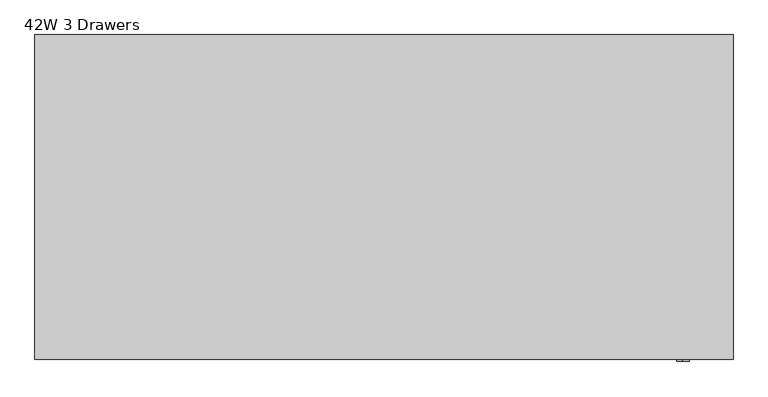
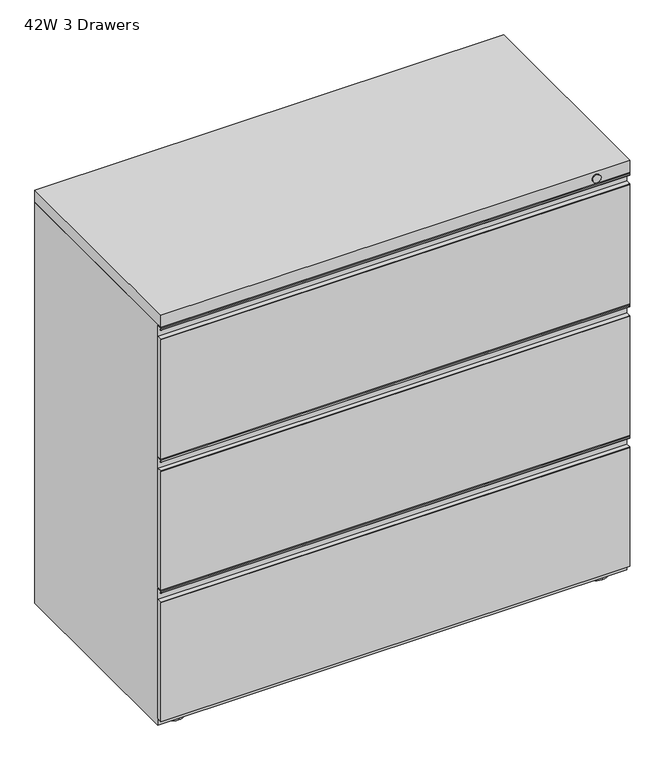
"""IFC4 building model written with IfcOpenShell, lengths in millimetres: furniture geometry, 42W 3 Drawers."""

from ifc_helpers import new_model, si_unit, point, frame, frame_2d, origin, place, context, project, spatial, polyline, circle_curve, trimmed, segment, composite_curve, outline, extrude, source, transform, mapped, element, save
from ifc_brep_helpers import plane_surface, cylinder_surface, advanced_brep


def furniture_42w_3_drawers_c9553601(model_context):
    return source(origin(), model_context, "Body", "SolidModel", [
        advanced_brep(
        [(477.8374758, 214.3124909, 9.525), (477.8374758, 163.5124939, 9.525), (477.8374758, 188.9124924, 9.525), (477.8374758, 214.3124909, 0.0), (477.8374758, 163.5124939, 0.0), (477.8374758, 188.9124924, 0.0)],
        [
            (0, 1, circle_curve(frame((477.8374758, 188.9124924, 9.525), z_axis=(0.0, 0.0, 1.0), x_axis=(0.0, -1.0, 0.0)), 25.3999985)),
            (1, 2),
            (2, 0),
            (1, 0, circle_curve(frame((477.8374758, 188.9124924, 9.525), z_axis=(0.0, 0.0, 1.0), x_axis=(0.0, -1.0, 0.0)), 25.3999985)),
            (3, 4, circle_curve(frame((477.8374758, 188.9124924, 0.0), z_axis=(0.0, 0.0, 1.0), x_axis=(0.0, -1.0, 0.0)), 25.3999985)),
            (4, 1),
            (0, 3),
            (4, 3, circle_curve(frame((477.8374758, 188.9124924, 0.0), z_axis=(0.0, 0.0, 1.0), x_axis=(0.0, -1.0, 0.0)), 25.3999985)),
            (5, 4),
            (3, 5),
        ],
        [
            plane_surface(frame((477.8374758, 188.9124924, 9.525), z_axis=(0.0, 0.0, 1.0), x_axis=(0.0, -1.0, 0.0))),
            cylinder_surface(frame((477.8374758, 188.9124924, 0.0), z_axis=(0.0, 0.0, -1.0), x_axis=(0.0, -1.0, 0.0)), 25.3999985),
            plane_surface(frame((477.8374758, 188.9124924, 0.0), z_axis=(0.0, 0.0, -1.0), x_axis=(0.0, -1.0, 0.0))),
        ],
        [
            (0, [[1, 2, 3]]),
            (0, [[4, -3, -2]]),
            (1, [[5, 6, -1, 7]]),
            (1, [[8, -7, -4, -6]]),
            (2, [[9, -5, 10]]),
            (2, [[-10, -8, -9]]),
        ],
    ),
        advanced_brep(
        [(477.8374758, -176.2125182, 9.525), (477.8374758, -227.0125151, 9.525), (477.8374758, -201.6125167, 9.525), (477.8374758, -176.2125182, 0.0), (477.8374758, -227.0125151, 0.0), (477.8374758, -201.6125167, 0.0)],
        [
            (0, 1, circle_curve(frame((477.8374758, -201.6125167, 9.525), z_axis=(0.0, 0.0, 1.0), x_axis=(0.0, -1.0, 0.0)), 25.3999985)),
            (1, 2),
            (2, 0),
            (1, 0, circle_curve(frame((477.8374758, -201.6125167, 9.525), z_axis=(0.0, 0.0, 1.0), x_axis=(0.0, -1.0, 0.0)), 25.3999985)),
            (3, 4, circle_curve(frame((477.8374758, -201.6125167, 0.0), z_axis=(0.0, 0.0, 1.0), x_axis=(0.0, -1.0, 0.0)), 25.3999985)),
            (4, 1),
            (0, 3),
            (4, 3, circle_curve(frame((477.8374758, -201.6125167, 0.0), z_axis=(0.0, 0.0, 1.0), x_axis=(0.0, -1.0, 0.0)), 25.3999985)),
            (5, 4),
            (3, 5),
        ],
        [
            plane_surface(frame((477.8374758, -201.6125167, 9.525), z_axis=(0.0, 0.0, 1.0), x_axis=(0.0, -1.0, 0.0))),
            cylinder_surface(frame((477.8374758, -201.6125167, 0.0), z_axis=(0.0, 0.0, -1.0), x_axis=(0.0, -1.0, 0.0)), 25.3999985),
            plane_surface(frame((477.8374758, -201.6125167, 0.0), z_axis=(0.0, 0.0, -1.0), x_axis=(0.0, -1.0, 0.0))),
        ],
        [
            (0, [[1, 2, 3]]),
            (0, [[4, -3, -2]]),
            (1, [[5, 6, -1, 7]]),
            (1, [[8, -7, -4, -6]]),
            (2, [[9, -5, 10]]),
            (2, [[-10, -8, -9]]),
        ],
    ),
        advanced_brep(
        [(-477.8374985, -176.2125182, 9.525), (-477.8374985, -227.0125151, 9.525), (-477.8374985, -201.6125167, 9.525), (-477.8374985, -176.2125182, 0.0), (-477.8374985, -227.0125151, 0.0), (-477.8374985, -201.6125167, 0.0)],
        [
            (0, 1, circle_curve(frame((-477.8374985, -201.6125167, 9.525), z_axis=(0.0, 0.0, 1.0), x_axis=(0.0, -1.0, 0.0)), 25.3999985)),
            (1, 2),
            (2, 0),
            (1, 0, circle_curve(frame((-477.8374985, -201.6125167, 9.525), z_axis=(0.0, 0.0, 1.0), x_axis=(0.0, -1.0, 0.0)), 25.3999985)),
            (3, 4, circle_curve(frame((-477.8374985, -201.6125167, 0.0), z_axis=(0.0, 0.0, 1.0), x_axis=(0.0, -1.0, 0.0)), 25.3999985)),
            (4, 1),
            (0, 3),
            (4, 3, circle_curve(frame((-477.8374985, -201.6125167, 0.0), z_axis=(0.0, 0.0, 1.0), x_axis=(0.0, -1.0, 0.0)), 25.3999985)),
            (5, 4),
            (3, 5),
        ],
        [
            plane_surface(frame((-477.8374985, -201.6125167, 9.525), z_axis=(0.0, 0.0, 1.0), x_axis=(0.0, -1.0, 0.0))),
            cylinder_surface(frame((-477.8374985, -201.6125167, 0.0), z_axis=(0.0, 0.0, -1.0), x_axis=(0.0, -1.0, 0.0)), 25.3999985),
            plane_surface(frame((-477.8374985, -201.6125167, 0.0), z_axis=(0.0, 0.0, -1.0), x_axis=(0.0, -1.0, 0.0))),
        ],
        [
            (0, [[1, 2, 3]]),
            (0, [[4, -3, -2]]),
            (1, [[5, 6, -1, 7]]),
            (1, [[8, -7, -4, -6]]),
            (2, [[9, -5, 10]]),
            (2, [[-10, -8, -9]]),
        ],
    ),
        advanced_brep(
        [(-477.8374985, 214.3124909, 9.525), (-477.8374985, 163.5124939, 9.525), (-477.8374985, 188.9124924, 9.525), (-477.8374985, 214.3124909, 0.0), (-477.8374985, 163.5124939, 0.0), (-477.8374985, 188.9124924, 0.0)],
        [
            (0, 1, circle_curve(frame((-477.8374985, 188.9124924, 9.525), z_axis=(0.0, 0.0, 1.0), x_axis=(0.0, -1.0, 0.0)), 25.3999985)),
            (1, 2),
            (2, 0),
            (1, 0, circle_curve(frame((-477.8374985, 188.9124924, 9.525), z_axis=(0.0, 0.0, 1.0), x_axis=(0.0, -1.0, 0.0)), 25.3999985)),
            (3, 4, circle_curve(frame((-477.8374985, 188.9124924, 0.0), z_axis=(0.0, 0.0, 1.0), x_axis=(0.0, -1.0, 0.0)), 25.3999985)),
            (4, 1),
            (0, 3),
            (4, 3, circle_curve(frame((-477.8374985, 188.9124924, 0.0), z_axis=(0.0, 0.0, 1.0), x_axis=(0.0, -1.0, 0.0)), 25.3999985)),
            (5, 4),
            (3, 5),
        ],
        [
            plane_surface(frame((-477.8374985, 188.9124924, 9.525), z_axis=(0.0, 0.0, 1.0), x_axis=(0.0, -1.0, 0.0))),
            cylinder_surface(frame((-477.8374985, 188.9124924, 0.0), z_axis=(0.0, 0.0, -1.0), x_axis=(0.0, -1.0, 0.0)), 25.3999985),
            plane_surface(frame((-477.8374985, 188.9124924, 0.0), z_axis=(0.0, 0.0, -1.0), x_axis=(0.0, -1.0, 0.0))),
        ],
        [
            (0, [[1, 2, 3]]),
            (0, [[4, -3, -2]]),
            (1, [[5, 6, -1, 7]]),
            (1, [[8, -7, -4, -6]]),
            (2, [[9, -5, 10]]),
            (2, [[-10, -8, -9]]),
        ],
    ),
        extrude(outline(composite_curve([segment(trimmed(circle_curve(frame_2d((-244.8896942, 308.4966671)), 1.1728058), [point((-246.0625, 308.4966671))], [point((-244.8896942, 309.6694729))], False, "CARTESIAN"), True, "CONTINUOUS"), segment(polyline([(-244.8896942, 309.6694729), (-234.1236111, 309.6694729), (-234.1236111, 334.9972013), (-234.9118604, 335.7874148), (-244.2971887, 335.7874148), (-245.0845679, 334.9999629), (-245.0843647, 331.4366976), (-243.4667153, 331.5287923)]), True, "CONTINUOUS"), segment(trimmed(circle_curve(frame_2d((-244.6524315, 331.3932144)), 1.1934422), [point((-243.4667153, 331.5287923))], [point((-245.8458737, 331.3932144))], False, "CARTESIAN"), True, "CONTINUOUS"), segment(polyline([(-245.8458737, 331.3932144), (-245.8458737, 334.9991622)]), True, "CONTINUOUS"), segment(trimmed(circle_curve(frame_2d((-244.295023, 334.9991622)), 1.5508507), [point((-245.8458737, 334.9991622))], [point((-244.295023, 336.5500129))], False, "CARTESIAN"), True, "CONTINUOUS"), segment(polyline([(-244.295023, 336.5500129), (-234.9140389, 336.5500129)]), True, "CONTINUOUS"), segment(trimmed(circle_curve(frame_2d((-234.9140389, 334.9984497)), 1.5515631), [point((-234.9140389, 336.5500129))], [point((-233.3624758, 334.9984497))], False, "CARTESIAN"), True, "CONTINUOUS"), segment(polyline([(-233.3624758, 334.9984497), (-233.3624758, 25.4000008), (-246.0625, 25.4000008), (-246.0625, 308.4966671)]), True, "CONTINUOUS")], self_intersect=False)), frame((-528.6375, 0.0, 0.0), z_axis=(1.0, 0.0, 0.0), x_axis=(0.0, 1.0, 0.0)), (0.0, 0.0, 1.0), 1057.275),
        extrude(outline(composite_curve([segment(trimmed(circle_curve(frame_2d((-244.8896942, 621.2341663)), 1.1728058), [point((-246.0625, 621.2341663))], [point((-244.8896942, 622.4069722))], False, "CARTESIAN"), True, "CONTINUOUS"), segment(polyline([(-244.8896942, 622.4069722), (-234.1236111, 622.4069722), (-234.1236111, 647.7347006), (-234.9118604, 648.5249141), (-244.2971887, 648.5249141), (-245.0845679, 647.7374621), (-245.0843647, 644.1741969), (-243.4667153, 644.2662915)]), True, "CONTINUOUS"), segment(trimmed(circle_curve(frame_2d((-244.6524315, 644.1307136)), 1.1934422), [point((-243.4667153, 644.2662915))], [point((-245.8458737, 644.1307136))], False, "CARTESIAN"), True, "CONTINUOUS"), segment(polyline([(-245.8458737, 644.1307136), (-245.8458737, 647.7366614)]), True, "CONTINUOUS"), segment(trimmed(circle_curve(frame_2d((-244.295023, 647.7366614)), 1.5508507), [point((-245.8458737, 647.7366614))], [point((-244.295023, 649.2875121))], False, "CARTESIAN"), True, "CONTINUOUS"), segment(polyline([(-244.295023, 649.2875121), (-234.9140389, 649.2875121)]), True, "CONTINUOUS"), segment(trimmed(circle_curve(frame_2d((-234.9140389, 647.735949)), 1.5515631), [point((-234.9140389, 649.2875121))], [point((-233.3624758, 647.735949))], False, "CARTESIAN"), True, "CONTINUOUS"), segment(polyline([(-233.3624758, 647.735949), (-233.3624758, 338.1375), (-246.0625, 338.1375), (-246.0625, 621.2341663)]), True, "CONTINUOUS")], self_intersect=False)), frame((-528.6375, 0.0, 0.0), z_axis=(1.0, 0.0, 0.0), x_axis=(0.0, 1.0, 0.0)), (0.0, 0.0, 1.0), 1057.275),
        extrude(outline(composite_curve([segment(trimmed(circle_curve(frame_2d((-244.8896942, 935.5591527)), 1.1728058), [point((-246.0625, 935.5591527))], [point((-244.8896942, 936.7319585))], False, "CARTESIAN"), True, "CONTINUOUS"), segment(polyline([(-244.8896942, 936.7319585), (-234.1236111, 936.7319585), (-234.1236111, 962.059687), (-234.9118604, 962.8499004), (-244.2971887, 962.8499004), (-245.0845679, 962.0624485), (-245.0843647, 958.4991832), (-243.4667153, 958.5912779)]), True, "CONTINUOUS"), segment(trimmed(circle_curve(frame_2d((-244.6524315, 958.4557)), 1.1934422), [point((-243.4667153, 958.5912779))], [point((-245.8458737, 958.4557))], False, "CARTESIAN"), True, "CONTINUOUS"), segment(polyline([(-245.8458737, 958.4557), (-245.8458737, 962.0616478)]), True, "CONTINUOUS"), segment(trimmed(circle_curve(frame_2d((-244.295023, 962.0616478)), 1.5508507), [point((-245.8458737, 962.0616478))], [point((-244.295023, 963.6124985))], False, "CARTESIAN"), True, "CONTINUOUS"), segment(polyline([(-244.295023, 963.6124985), (-234.9140389, 963.6124985)]), True, "CONTINUOUS"), segment(trimmed(circle_curve(frame_2d((-234.9140389, 962.0609354)), 1.5515631), [point((-234.9140389, 963.6124985))], [point((-233.3624758, 962.0609354))], False, "CARTESIAN"), True, "CONTINUOUS"), segment(polyline([(-233.3624758, 962.0609354), (-233.3624758, 650.8749992), (-246.0625, 650.8749992), (-246.0625, 935.5591527)]), True, "CONTINUOUS")], self_intersect=False)), frame((-528.6375, 0.0, 0.0), z_axis=(1.0, 0.0, 0.0), x_axis=(0.0, 1.0, 0.0)), (0.0, 0.0, 1.0), 1057.275),
        extrude(outline(polyline([(528.6375, 246.0625), (528.6375, -246.0625), (-528.6375, -246.0625), (-528.6375, 246.0625), (528.6375, 246.0625)])), frame((0.0, 0.0, 965.2), z_axis=(0.0, 0.0, 1.0), x_axis=(1.0, 0.0, 0.0)), (0.0, 0.0, 1.0), 28.575),
        extrude(outline(polyline([(528.6375, 246.0625), (528.6375, -233.3624758), (-528.6375, -233.3624758), (-528.6375, 246.0625), (528.6375, 246.0625)])), frame((0.0, 0.0, 9.525), z_axis=(0.0, 0.0, 1.0), x_axis=(1.0, 0.0, 0.0)), (0.0, 0.0, 1.0), 955.675),
        extrude(outline(composite_curve([segment(trimmed(circle_curve(frame_2d((977.9000242, 452.4375)), 9.525), [point((968.3750242, 452.4375))], [point((987.4250242, 452.4375))], False, "CARTESIAN"), True, "CONTINUOUS"), segment(trimmed(circle_curve(frame_2d((977.9000242, 452.4375)), 9.525), [point((987.4250242, 452.4375))], [point((968.3750242, 452.4375))], False, "CARTESIAN"), True, "CONTINUOUS")], self_intersect=False)), frame((0.0, -249.2374879, 0.0), z_axis=(0.0, 1.0, 0.0), x_axis=(0.0, 0.0, 1.0)), (0.0, 0.0, 1.0), 3.1749879),
    ])


if __name__ == "__main__":
    model = new_model("IFC4")
    model_context = context("Model", 3, world=origin())
    ifc_project = project(units=[si_unit("LENGTHUNIT", "METRE", prefix="MILLI")], contexts=[model_context])
    site = spatial("IfcSite", under=ifc_project)
    building = spatial("IfcBuilding", under=site)
    placement = place(None, origin())
    furniture_42w_3_drawers_shape = furniture_42w_3_drawers_c9553601(model_context)
    element("IfcFurniture", 1, ObjectType="42W 3 Drawers", at=placement, inside=building, context=model_context, shape_type="MappedRepresentation", body=[
        mapped(furniture_42w_3_drawers_shape, transform((0.0, 0.0, 0.0), x_axis=(1.0, 0.0, 0.0), y_axis=(0.0, 1.0, 0.0), z_axis=(0.0, 0.0, 1.0))),
    ])
    save(model, "model.ifc")
